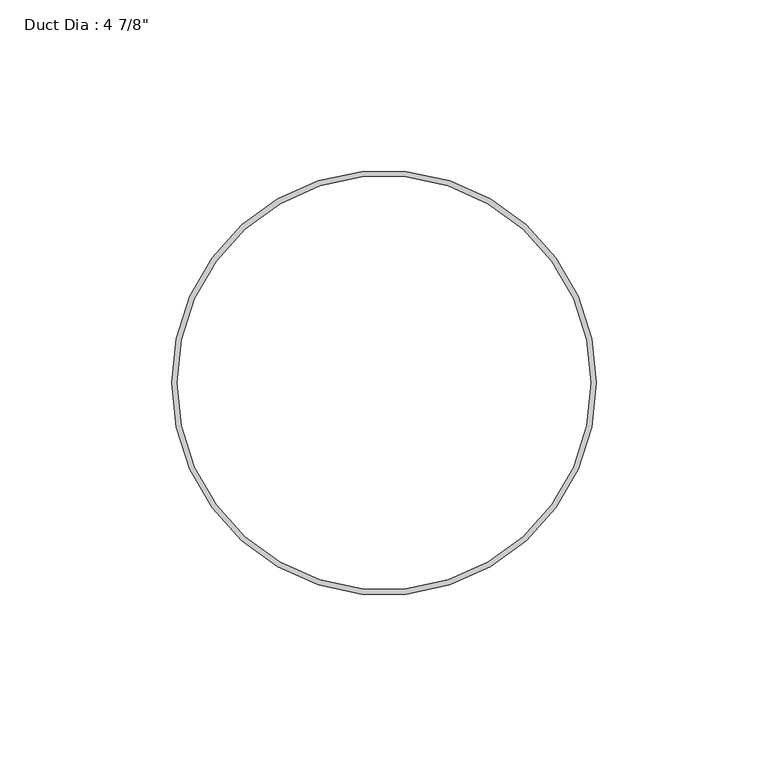
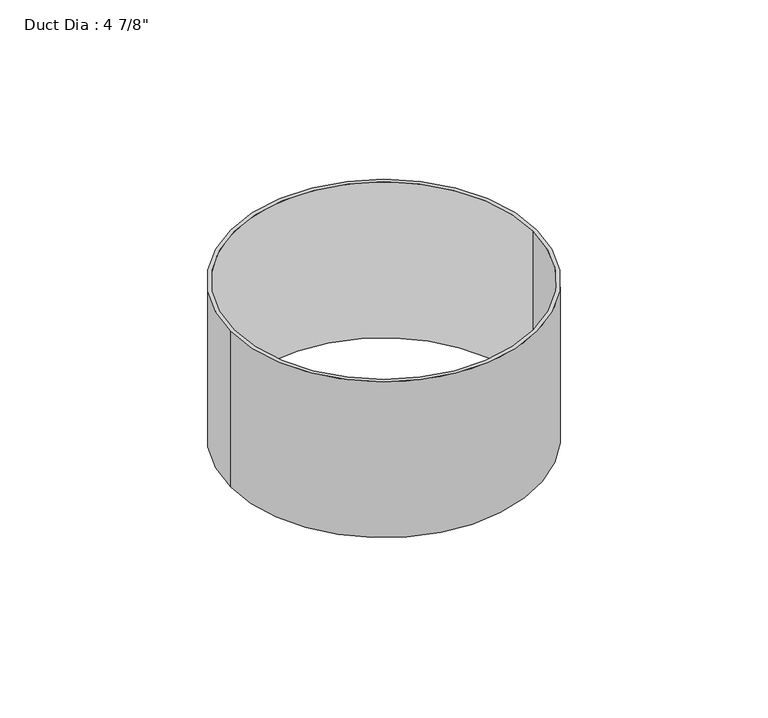
"""IFC4 building model written with IfcOpenShell, lengths in millimetres: proxy geometry."""

from ifc_helpers import new_model, si_unit, point, origin, origin_with_axes, origin_2d, place, context, project, spatial, circle_curve, trimmed, segment, composite_curve, outline, extrude, source, transform, mapped, element, save


def proxy_33314c1a(model_context):
    return source(origin(), model_context, "Body", "SweptSolid", [
        extrude(outline(composite_curve([segment(trimmed(circle_curve(origin_2d(), 61.9125), [point((-61.9125, 0.0))], [point((61.9125, 0.0))], False, "CARTESIAN"), True, "CONTINUOUS"), segment(trimmed(circle_curve(origin_2d(), 61.9125), [point((61.9125, 0.0))], [point((-61.9125, 0.0))], False, "CARTESIAN"), True, "CONTINUOUS")], self_intersect=False), holes=[composite_curve([segment(trimmed(circle_curve(origin_2d(), 60.325), [point((-60.325, 0.0))], [point((60.325, 0.0))], True, "CARTESIAN"), True, "CONTINUOUS"), segment(trimmed(circle_curve(origin_2d(), 60.325), [point((60.325, 0.0))], [point((-60.325, 0.0))], True, "CARTESIAN"), True, "CONTINUOUS")], self_intersect=False)]), origin_with_axes(), (0.0, 0.0, 1.0), 66.675),
    ])


if __name__ == "__main__":
    model = new_model("IFC4")
    model_context = context("Model", 3, world=origin())
    ifc_project = project(units=[si_unit("LENGTHUNIT", "METRE", prefix="MILLI")], contexts=[model_context])
    site = spatial("IfcSite", under=ifc_project)
    building = spatial("IfcBuilding", under=site)
    placement = place(None, origin())
    proxy_shape = proxy_33314c1a(model_context)
    element("IfcBuildingElementProxy", 1, Name="Duct Dia : 4 7/8\"", ObjectType="Duct Dia : 4 7/8\"", at=placement, inside=building, context=model_context, shape_type="MappedRepresentation", body=[
        mapped(proxy_shape, transform((0.0, 0.0, 0.0), x_axis=(1.0, 0.0, 0.0), y_axis=(0.0, 1.0, 0.0), z_axis=(0.0, 0.0, 1.0))),
    ])
    save(model, "model.ifc")
